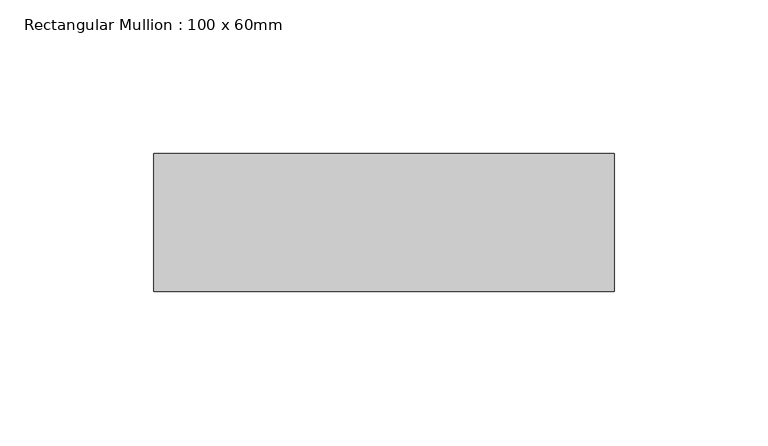
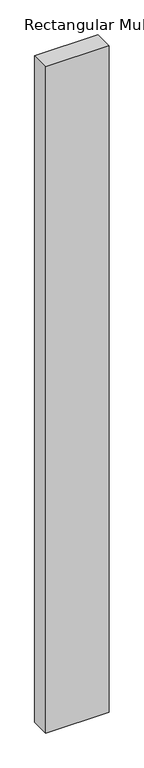
"""IFC4 building model written with IfcOpenShell, lengths in millimetres: member geometry, Rectangular Mullion : 100 x 60mm."""

from ifc_helpers import new_model, si_unit, frame, origin, place, context, project, spatial, polyline, outline, extrude, source, transform, mapped, element, save


def rectangular_mullion_100_x_60mm_1bf1d81b(model_context):
    return source(origin(), model_context, "Body", "SweptSolid", [
        extrude(outline(polyline([(-150.0, -30.0), (-150.0, 15.0), (0.0, 15.0), (0.0, -30.0), (-150.0, -30.0)])), frame((0.0, 0.0, -1665.887763), z_axis=(0.0, 0.0, 1.0), x_axis=(1.0, 0.0, 0.0)), (0.0, 0.0, 1.0), 1665.887763),
    ])


if __name__ == "__main__":
    model = new_model("IFC4")
    model_context = context("Model", 3, world=origin())
    ifc_project = project(units=[si_unit("LENGTHUNIT", "METRE", prefix="MILLI")], contexts=[model_context])
    site = spatial("IfcSite", under=ifc_project)
    building = spatial("IfcBuilding", under=site)
    placement = place(None, origin())
    rectangular_mullion_100_x_60mm_shape = rectangular_mullion_100_x_60mm_1bf1d81b(model_context)
    element("IfcMember", 1, ObjectType="Rectangular Mullion : 100 x 60mm", at=placement, inside=building, context=model_context, shape_type="MappedRepresentation", body=[
        mapped(rectangular_mullion_100_x_60mm_shape, transform((0.0, 0.0, 0.0), x_axis=(1.0, 0.0, 0.0), y_axis=(0.0, 1.0, 0.0), z_axis=(0.0, 0.0, 1.0))),
    ])
    save(model, "model.ifc")
